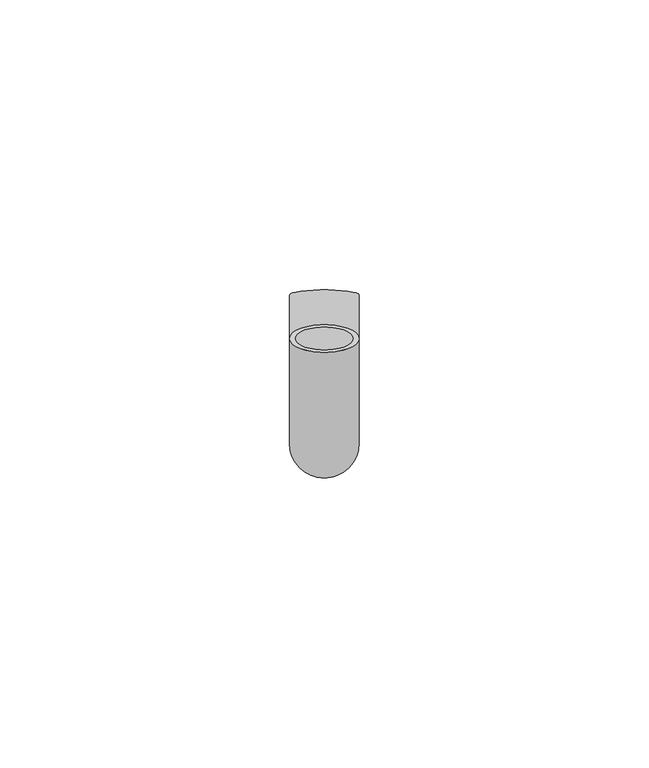
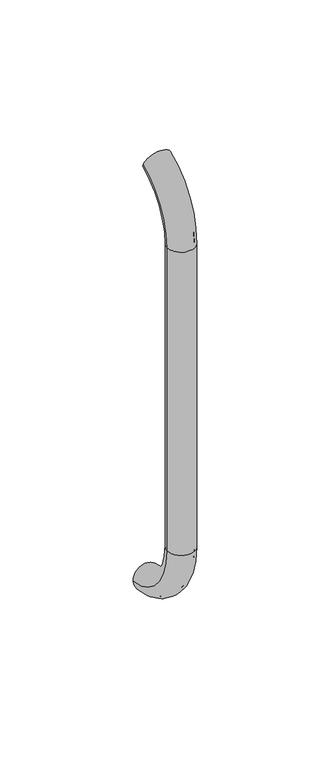
"""IFC4 building model written with IfcOpenShell, lengths in millimetres: beam geometry."""

from ifc_helpers import new_model, si_unit, point, frame, origin, place, context, project, spatial, polyline, circle_curve, ellipse_curve, trimmed, source, transform, mapped, element, save
from ifc_brep_helpers import plane_surface, cylinder_surface, revolved_surface, advanced_brep


def beam_5960d00c(model_context):
    return source(origin(), model_context, "Body", "AdvancedBrep", [
        advanced_brep(
        [(3011.4386176, 2444.0395554, 1993.7787656), (3023.4386176, 2444.0395554, 1993.7787656), (3012.4386176, 2444.0395554, 1993.7787656), (3022.4386176, 2444.0395554, 1993.7787656), (3022.4386176, 2425.9629385, 1966.25), (3012.4386176, 2425.9629385, 1966.25), (3023.4386176, 2425.9629385, 1966.25), (3011.4386176, 2425.9629385, 1966.25), (3012.4386176, 2425.9629385, 1826.25), (3022.4386176, 2425.9629385, 1826.25), (3011.4386176, 2425.9629385, 1826.25), (3023.4386176, 2425.9629385, 1826.25), (3011.4386176, 2451.5825147, 1796.5715249), (3023.4386176, 2451.5825147, 1796.5715249), (3012.4386176, 2451.5825147, 1796.5715249), (3022.4386176, 2451.5825147, 1796.5715249)],
        [
            (0, 1, circle_curve(frame((3017.4386176, 2444.0395554, 1993.7787656), z_axis=(0.0, 0.9176255197351176, 0.3974461039321624), x_axis=(1.0, 0.0, 0.0)), 6.0)),
            (1, 0, circle_curve(frame((3017.4386176, 2444.0395554, 1993.7787656), z_axis=(0.0, 0.9176255197351176, 0.3974461039321624), x_axis=(1.0, 0.0, 0.0)), 6.0)),
            (2, 3, circle_curve(frame((3017.4386176, 2444.0395554, 1993.7787656), z_axis=(0.0, -0.9176255197351176, -0.3974461039321624), x_axis=(1.0, 0.0, 0.0)), 5.0)),
            (3, 2, circle_curve(frame((3017.4386176, 2444.0395554, 1993.7787656), z_axis=(0.0, -0.9176255197351176, -0.3974461039321624), x_axis=(1.0, 0.0, 0.0)), 5.0)),
            (4, 3, circle_curve(frame((3022.4386176, 2455.9629385, 1966.25), z_axis=(-1.0, 0.0, 0.0), x_axis=(0.0, -0.3974461039321624, 0.9176255197351176)), 30.0)),
            (2, 5, circle_curve(frame((3012.4386176, 2455.9629385, 1966.25), z_axis=(1.0, 0.0, 0.0), x_axis=(0.0, -0.3974461039321624, 0.9176255197351176)), 30.0)),
            (5, 4, circle_curve(frame((3017.4386176, 2425.9629385, 1966.25), z_axis=(0.0, 0.0, -0.9999999999999999), x_axis=(1.0, 0.0, 0.0)), 5.0)),
            (4, 5, circle_curve(frame((3017.4386176, 2425.9629385, 1966.25), z_axis=(0.0, 0.0, -0.9999999999999999), x_axis=(1.0, 0.0, 0.0)), 5.0)),
            (6, 1, circle_curve(frame((3023.4386176, 2455.9629385, 1966.25), z_axis=(-1.0, 0.0, 0.0), x_axis=(0.0, -0.3974461039321624, 0.9176255197351176)), 30.0)),
            (0, 7, circle_curve(frame((3011.4386176, 2455.9629385, 1966.25), z_axis=(1.0, 0.0, 0.0), x_axis=(0.0, -0.3974461039321624, 0.9176255197351176)), 30.0)),
            (7, 6, circle_curve(frame((3017.4386176, 2425.9629385, 1966.25), z_axis=(0.0, 0.0, 0.9999999999999999), x_axis=(1.0, 0.0, 0.0)), 6.0)),
            (6, 7, circle_curve(frame((3017.4386176, 2425.9629385, 1966.25), z_axis=(0.0, 0.0, 0.9999999999999999), x_axis=(1.0, 0.0, 0.0)), 6.0)),
            (5, 8),
            (8, 9, circle_curve(frame((3017.4386176, 2425.9629385, 1826.25), z_axis=(0.0, 0.0, -1.0), x_axis=(1.0, 0.0, 0.0)), 5.0)),
            (9, 4),
            (9, 8, circle_curve(frame((3017.4386176, 2425.9629385, 1826.25), z_axis=(0.0, 0.0, -1.0), x_axis=(1.0, 0.0, 0.0)), 5.0)),
            (7, 10),
            (10, 11, circle_curve(frame((3017.4386176, 2425.9629385, 1826.25), z_axis=(0.0, 0.0, 1.0), x_axis=(1.0, 0.0, 0.0)), 6.0)),
            (11, 6),
            (11, 10, circle_curve(frame((3017.4386176, 2425.9629385, 1826.25), z_axis=(0.0, 0.0, 1.0), x_axis=(1.0, 0.0, 0.0)), 6.0)),
            (12, 13, circle_curve(frame((3017.4386176, 2451.5825147, 1796.5715249), z_axis=(0.0, 0.9892825047438852, -0.14601412879466394), x_axis=(1.0, 0.0, 0.0)), 6.0)),
            (13, 12, circle_curve(frame((3017.4386176, 2451.5825147, 1796.5715249), z_axis=(0.0, 0.9892825047438852, -0.14601412879466394), x_axis=(1.0, 0.0, 0.0)), 6.0)),
            (14, 15, circle_curve(frame((3017.4386176, 2451.5825147, 1796.5715249), z_axis=(0.0, -0.9892825047438852, 0.14601412879466394), x_axis=(1.0, 0.0, 0.0)), 5.0)),
            (15, 14, circle_curve(frame((3017.4386176, 2451.5825147, 1796.5715249), z_axis=(0.0, -0.9892825047438852, 0.14601412879466394), x_axis=(1.0, 0.0, 0.0)), 5.0)),
            (15, 9, circle_curve(frame((3022.4386176, 2455.9629385, 1826.25), z_axis=(-1.0, 0.0, 0.0), x_axis=(0.0, -1.0, 0.0)), 30.0)),
            (8, 14, circle_curve(frame((3012.4386176, 2455.9629385, 1826.25), z_axis=(1.0, 0.0, 0.0), x_axis=(0.0, -1.0, 0.0)), 30.0)),
            (13, 11, circle_curve(frame((3023.4386176, 2455.9629385, 1826.25), z_axis=(-1.0, 0.0, 0.0), x_axis=(0.0, -1.0, 0.0)), 30.0)),
            (10, 12, circle_curve(frame((3011.4386176, 2455.9629385, 1826.25), z_axis=(1.0, 0.0, 0.0), x_axis=(0.0, -1.0, 0.0)), 30.0)),
        ],
        [
            plane_surface(frame((3017.4386176, 2444.0395554, 1993.7787656), z_axis=(0.0, 0.9176255197351176, 0.3974461039321624), x_axis=(1.0, 0.0, 0.0))),
            revolved_surface(trimmed(ellipse_curve(frame((3017.4386176, 2444.0395554, 1993.7787656), z_axis=(0.0, -0.9176255197351176, -0.3974461039321624), x_axis=(1.0, 0.0, 0.0)), 5.0, 5.0), [point((3012.4386176, 2444.0395554, 1993.7787656))], [point((3022.4386176, 2444.0395554, 1993.7787656))], True, "CARTESIAN"), (3017.4386176, 2455.9629385, 1966.25), (1.0, 0.0, 0.0)),
            revolved_surface(trimmed(ellipse_curve(frame((3017.4386176, 2444.0395554, 1993.7787656), z_axis=(0.0, -0.9176255197351176, -0.3974461039321624), x_axis=(1.0, 0.0, 0.0)), 5.0, 5.0), [point((3022.4386176, 2444.0395554, 1993.7787656))], [point((3012.4386176, 2444.0395554, 1993.7787656))], True, "CARTESIAN"), (3017.4386176, 2455.9629385, 1966.25), (1.0, 0.0, 0.0)),
            revolved_surface(trimmed(ellipse_curve(frame((3017.4386176, 2444.0395554, 1993.7787656), z_axis=(0.0, 0.9176255197351176, 0.3974461039321624), x_axis=(1.0, 0.0, 0.0)), 6.0, 6.0), [point((3011.4386176, 2444.0395554, 1993.7787656))], [point((3023.4386176, 2444.0395554, 1993.7787656))], True, "CARTESIAN"), (3017.4386176, 2455.9629385, 1966.25), (1.0, 0.0, 0.0)),
            revolved_surface(trimmed(ellipse_curve(frame((3017.4386176, 2444.0395554, 1993.7787656), z_axis=(0.0, 0.9176255197351176, 0.3974461039321624), x_axis=(1.0, 0.0, 0.0)), 6.0, 6.0), [point((3023.4386176, 2444.0395554, 1993.7787656))], [point((3011.4386176, 2444.0395554, 1993.7787656))], True, "CARTESIAN"), (3017.4386176, 2455.9629385, 1966.25), (1.0, 0.0, 0.0)),
            revolved_surface(polyline([(3022.4386176, 2425.9629385, 1826.25), (3022.4386176, 2425.9629385, 1966.25)]), (3017.4386176, 2425.9629385, 1966.25), (0.0, 0.0, -1.0)),
            cylinder_surface(frame((3017.4386176, 2425.9629385, 1966.25), z_axis=(0.0, 0.0, 1.0), x_axis=(1.0, 0.0, 0.0)), 6.0),
            plane_surface(frame((3017.4386176, 2451.5825147, 1796.5715249), z_axis=(0.0, 0.9892825047438852, -0.14601412879466397), x_axis=(1.0, 0.0, 0.0))),
            revolved_surface(trimmed(ellipse_curve(frame((3017.4386176, 2425.9629385, 1826.25), z_axis=(0.0, 0.0, -1.0), x_axis=(1.0, 0.0, 0.0)), 5.0, 5.0), [point((3012.4386176, 2425.9629385, 1826.25))], [point((3022.4386176, 2425.9629385, 1826.25))], True, "CARTESIAN"), (3017.4386176, 2455.9629385, 1826.25), (1.0, 0.0, 0.0)),
            revolved_surface(trimmed(ellipse_curve(frame((3017.4386176, 2425.9629385, 1826.25), z_axis=(0.0, 0.0, -1.0), x_axis=(1.0, 0.0, 0.0)), 5.0, 5.0), [point((3022.4386176, 2425.9629385, 1826.25))], [point((3012.4386176, 2425.9629385, 1826.25))], True, "CARTESIAN"), (3017.4386176, 2455.9629385, 1826.25), (1.0, 0.0, 0.0)),
            revolved_surface(trimmed(ellipse_curve(frame((3017.4386176, 2425.9629385, 1826.25), z_axis=(0.0, 0.0, 1.0), x_axis=(1.0, 0.0, 0.0)), 6.0, 6.0), [point((3011.4386176, 2425.9629385, 1826.25))], [point((3023.4386176, 2425.9629385, 1826.25))], True, "CARTESIAN"), (3017.4386176, 2455.9629385, 1826.25), (1.0, 0.0, 0.0)),
            revolved_surface(trimmed(ellipse_curve(frame((3017.4386176, 2425.9629385, 1826.25), z_axis=(0.0, 0.0, 1.0), x_axis=(1.0, 0.0, 0.0)), 6.0, 6.0), [point((3023.4386176, 2425.9629385, 1826.25))], [point((3011.4386176, 2425.9629385, 1826.25))], True, "CARTESIAN"), (3017.4386176, 2455.9629385, 1826.25), (1.0, 0.0, 0.0)),
        ],
        [
            (0, [[1, 2], [3, 4]]),
            (1, [[5, -3, 6, 7]]),
            (2, [[-6, -4, -5, 8]]),
            (3, [[9, -1, 10, 11]]),
            (4, [[-10, -2, -9, 12]]),
            (5, [[-7, 13, 14, 15]]),
            (5, [[-8, -15, 16, -13]]),
            (6, [[-11, 17, 18, 19]]),
            (6, [[-12, -19, 20, -17]]),
            (7, [[21, 22], [23, 24]]),
            (8, [[25, -14, 26, -24]]),
            (9, [[-26, -16, -25, -23]]),
            (10, [[27, -18, 28, -22]]),
            (11, [[-28, -20, -27, -21]]),
        ],
    ),
    ])


if __name__ == "__main__":
    model = new_model("IFC4")
    model_context = context("Model", 3, world=origin())
    ifc_project = project(units=[si_unit("LENGTHUNIT", "METRE", prefix="MILLI")], contexts=[model_context])
    site = spatial("IfcSite", under=ifc_project)
    building = spatial("IfcBuilding", under=site)
    placement = place(None, origin())
    beam_shape = beam_5960d00c(model_context)
    element("IfcBeam", 1, at=placement, inside=building, context=model_context, shape_type="MappedRepresentation", body=[
        mapped(beam_shape, transform((0.0, 0.0, 0.0), x_axis=(1.0, 0.0, 0.0), y_axis=(0.0, 1.0, 0.0), z_axis=(0.0, 0.0, 1.0))),
    ])
    save(model, "model.ifc")
